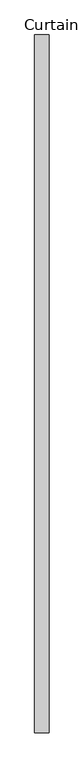
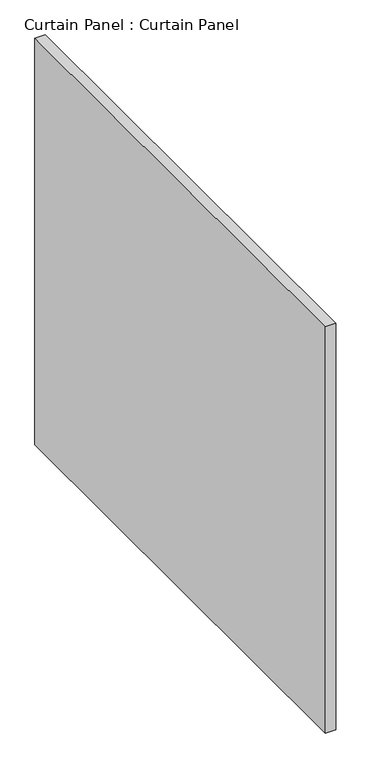
"""IFC4 building model written with IfcOpenShell, lengths in millimetres: plate geometry, Curtain Panel : Curtain Panel."""

from ifc_helpers import new_model, si_unit, frame, origin, place, context, project, spatial, polyline, outline, extrude, source, transform, mapped, element, save


def curtain_panel_curtain_panel_f5aef81d(model_context):
    return source(origin(), model_context, "Body", "SweptSolid", [
        extrude(outline(polyline([(-411398.1205803, 4775.7609739), (-411398.1205803, 3534.119539), (-411423.5205803, 3534.119539), (-411423.5205803, 4775.7609739), (-411398.1205803, 4775.7609739)])), frame((0.0, 0.0, 2470.15), z_axis=(0.0, 0.0, 1.0), x_axis=(1.0, 0.0, 0.0)), (0.0, 0.0, 1.0), 1059.9603332),
    ])


if __name__ == "__main__":
    model = new_model("IFC4")
    model_context = context("Model", 3, world=origin())
    ifc_project = project(units=[si_unit("LENGTHUNIT", "METRE", prefix="MILLI")], contexts=[model_context])
    site = spatial("IfcSite", under=ifc_project)
    building = spatial("IfcBuilding", under=site)
    placement = place(None, origin())
    curtain_panel_curtain_panel_shape = curtain_panel_curtain_panel_f5aef81d(model_context)
    element("IfcPlate", 1, ObjectType="Curtain Panel : Curtain Panel", at=placement, inside=building, context=model_context, shape_type="MappedRepresentation", body=[
        mapped(curtain_panel_curtain_panel_shape, transform((0.0, 0.0, 0.0), x_axis=(1.0, 0.0, 0.0), y_axis=(0.0, 1.0, 0.0), z_axis=(0.0, 0.0, 1.0))),
    ])
    save(model, "model.ifc")
